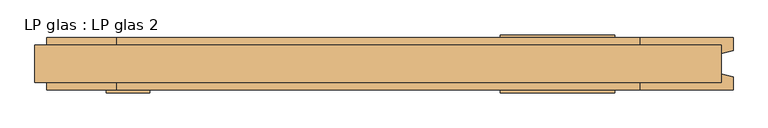
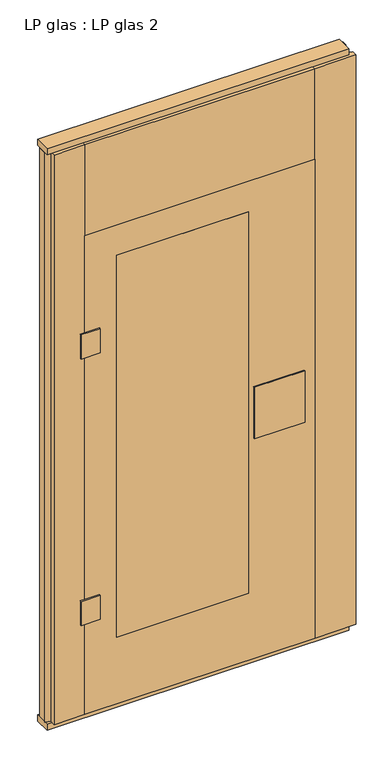
"""IFC4 building model written with IfcOpenShell, lengths in millimetres: door geometry, LP glas : LP glas 2."""

from ifc_helpers import new_model, si_unit, frame, origin, origin_with_axes, place, context, project, spatial, polyline, outline, extrude, source, transform, mapped, element, save


def lp_glas_lp_glas_2_35f28984(model_context):
    return source(origin(), model_context, "Body", "SweptSolid", [
        extrude(outline(polyline([(-392.5, -45.0), (-392.5, -50.0), (-467.5, -50.0), (-467.5, -45.0), (-392.5, -45.0)])), frame((0.0, 0.0, 1500.0), z_axis=(0.0, 0.0, 1.0), x_axis=(1.0, 0.0, 0.0)), (0.0, 0.0, 1.0), 100.0),
        extrude(outline(polyline([(-392.5, -45.0), (-392.5, -50.0), (-467.5, -50.0), (-467.5, -45.0), (-392.5, -45.0)])), frame((0.0, 0.0, 400.0), z_axis=(0.0, 0.0, 1.0), x_axis=(1.0, 0.0, 0.0)), (0.0, 0.0, 1.0), 100.0),
        extrude(outline(polyline([(-325.0, -45.0), (-325.0, 45.0), (190.0, 45.0), (190.0, -45.0), (-325.0, -45.0)])), frame((0.0, 0.0, 300.0), z_axis=(0.0, 0.0, 1.0), x_axis=(1.0, 0.0, 0.0)), (0.0, 0.0, 1.0), 1575.0),
        extrude(outline(polyline([(210.0, -50.0), (210.0, -45.0), (407.0, -45.0), (407.0, -50.0), (210.0, -50.0)])), frame((0.0, 0.0, 934.0), z_axis=(0.0, 0.0, 1.0), x_axis=(1.0, 0.0, 0.0)), (0.0, 0.0, 1.0), 212.0),
        extrude(outline(polyline([(210.0, 45.0), (210.0, 50.0), (407.0, 50.0), (407.0, 45.0), (210.0, 45.0)])), frame((0.0, 0.0, 934.0), z_axis=(0.0, 0.0, 1.0), x_axis=(1.0, 0.0, 0.0)), (0.0, 0.0, 1.0), 212.0),
        extrude(outline(polyline([(25.0, -450.0), (25.0, 450.0), (2000.0, 450.0), (2000.0, -450.0), (25.0, -450.0)]), holes=[polyline([(300.0, 190.0), (300.0, -325.0), (1875.0, -325.0), (1875.0, 190.0), (300.0, 190.0)])]), frame((0.0, -45.0, 0.0), z_axis=(0.0, 1.0, 0.0), x_axis=(0.0, 0.0, 1.0)), (0.0, 0.0, 1.0), 90.0),
        extrude(outline(polyline([(590.0, 32.0), (590.0, -32.0), (-590.0, -32.0), (-590.0, 32.0), (590.0, 32.0)])), origin_with_axes(), (0.0, 0.0, 1.0), 25.0),
        extrude(outline(polyline([(590.0, 32.0), (590.0, -32.0), (-590.0, -32.0), (-590.0, 32.0), (590.0, 32.0)])), frame((0.0, 0.0, 2375.0), z_axis=(0.0, 0.0, 1.0), x_axis=(1.0, 0.0, 0.0)), (0.0, 0.0, 1.0), 25.0),
        extrude(outline(polyline([(-570.0, -45.0), (-570.0, -22.9993165), (-590.0, -17.6401049), (-590.0, 17.6401049), (-570.0, 22.9993165), (-570.0, 45.0), (-450.0, 45.0), (-450.0, -45.0), (-570.0, -45.0)])), frame((0.0, 0.0, 25.0), z_axis=(0.0, 0.0, 1.0), x_axis=(1.0, 0.0, 0.0)), (0.0, 0.0, 1.0), 2350.0),
        extrude(outline(polyline([(450.0, -45.0), (450.0, 45.0), (609.9999999, 45.0), (609.9999999, 22.9993165), (589.9999999, 17.6401049), (589.9999999, -17.6401049), (609.9999999, -22.9993165), (609.9999999, -45.0), (450.0, -45.0)])), frame((0.0, 0.0, 25.0), z_axis=(0.0, 0.0, 1.0), x_axis=(1.0, 0.0, 0.0)), (0.0, 0.0, 1.0), 2350.0),
        extrude(outline(polyline([(450.0, 45.0), (450.0, -45.0), (-450.0, -45.0), (-450.0, 45.0), (450.0, 45.0)])), frame((0.0, 0.0, 2000.0), z_axis=(0.0, 0.0, 1.0), x_axis=(1.0, 0.0, 0.0)), (0.0, 0.0, 1.0), 375.0),
    ])


if __name__ == "__main__":
    model = new_model("IFC4")
    model_context = context("Model", 3, world=origin())
    ifc_project = project(units=[si_unit("LENGTHUNIT", "METRE", prefix="MILLI")], contexts=[model_context])
    site = spatial("IfcSite", under=ifc_project)
    building = spatial("IfcBuilding", under=site)
    placement = place(None, origin())
    lp_glas_lp_glas_2_shape = lp_glas_lp_glas_2_35f28984(model_context)
    element("IfcDoor", 1, ObjectType="LP glas : LP glas 2", at=placement, inside=building, context=model_context, shape_type="MappedRepresentation", body=[
        mapped(lp_glas_lp_glas_2_shape, transform((0.0, 0.0, 0.0), x_axis=(1.0, 0.0, 0.0), y_axis=(0.0, 1.0, 0.0), z_axis=(0.0, 0.0, 1.0))),
    ])
    save(model, "model.ifc")
